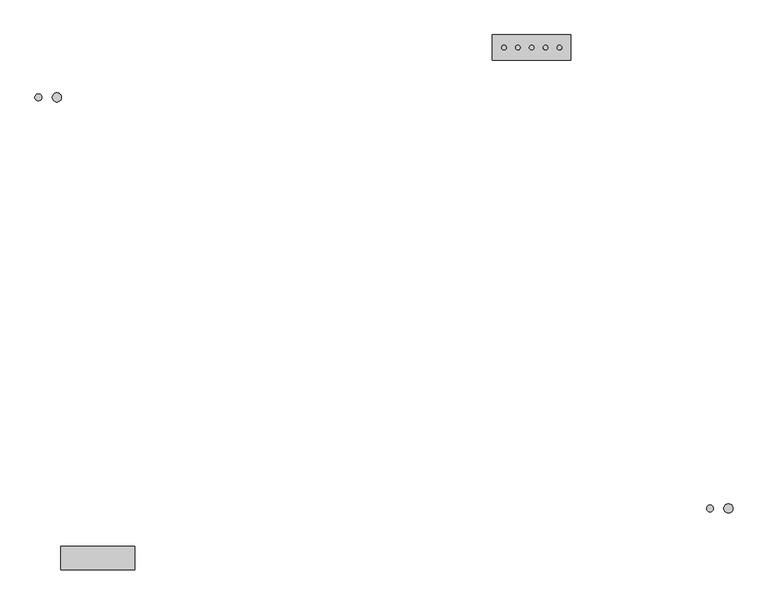
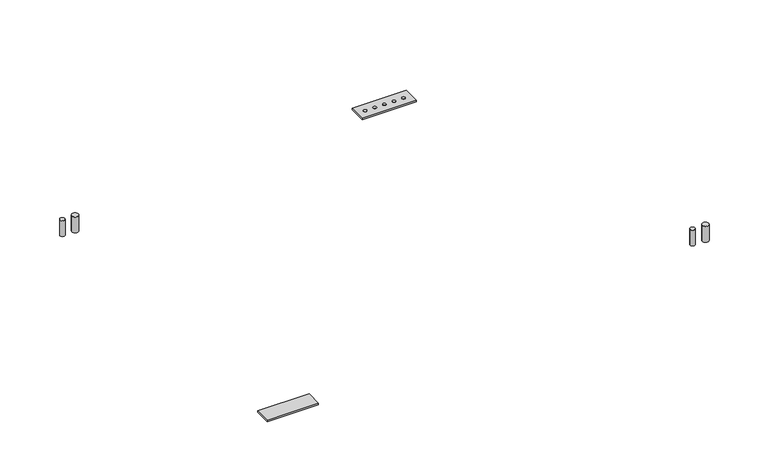
"""IFC4 building model written with IfcOpenShell, lengths in millimetres: proxy geometry."""

from ifc_helpers import new_model, si_unit, point, frame, frame_2d, origin, place, context, project, spatial, polyline, circle_curve, trimmed, segment, composite_curve, outline, extrude, source, transform, mapped, element, save


def mechanical_equipment_aedef73f(model_context):
    return source(origin(), model_context, "Body", "SweptSolid", [
        extrude(outline(composite_curve([segment(trimmed(circle_curve(frame_2d((242.6911047, 192.5203719)), 12.7), [point((229.9911047, 192.5203719))], [point((255.3911047, 192.5203719))], False, "CARTESIAN"), True, "CONTINUOUS"), segment(trimmed(circle_curve(frame_2d((242.6911047, 192.5203719)), 12.7), [point((255.3911047, 192.5203719))], [point((229.9911047, 192.5203719))], False, "CARTESIAN"), True, "CONTINUOUS")], self_intersect=False)), frame((0.0, 0.0, 61.2666507), z_axis=(0.0, 0.0, 1.0), x_axis=(1.0, 0.0, 0.0)), (0.0, 0.0, 1.0), 65.7333493),
        extrude(outline(composite_curve([segment(trimmed(circle_curve(frame_2d((191.8911047, 192.5203719)), 9.525), [point((182.3661047, 192.5203719))], [point((201.4161047, 192.5203719))], False, "CARTESIAN"), True, "CONTINUOUS"), segment(trimmed(circle_curve(frame_2d((191.8911047, 192.5203719)), 9.525), [point((201.4161047, 192.5203719))], [point((182.3661047, 192.5203719))], False, "CARTESIAN"), True, "CONTINUOUS")], self_intersect=False)), frame((0.0, 0.0, 61.2666507), z_axis=(0.0, 0.0, 1.0), x_axis=(1.0, 0.0, 0.0)), (0.0, 0.0, 1.0), 65.7333493),
        extrude(outline(composite_curve([segment(trimmed(circle_curve(frame_2d((1473.1027684, 329.7424825)), 6.35), [point((1466.7527684, 329.7424825))], [point((1479.4527684, 329.7424825))], False, "CARTESIAN"), True, "CONTINUOUS"), segment(trimmed(circle_curve(frame_2d((1473.1027684, 329.7424825)), 6.35), [point((1479.4527684, 329.7424825))], [point((1466.7527684, 329.7424825))], False, "CARTESIAN"), True, "CONTINUOUS")], self_intersect=False)), frame((0.0, 0.0, 44.45), z_axis=(0.0, 0.0, 1.0), x_axis=(1.0, 0.0, 0.0)), (0.0, 0.0, 1.0), 6.35),
        extrude(outline(composite_curve([segment(trimmed(circle_curve(frame_2d((1511.2027684, 329.7424825)), 6.35), [point((1504.8527684, 329.7424825))], [point((1517.5527684, 329.7424825))], False, "CARTESIAN"), True, "CONTINUOUS"), segment(trimmed(circle_curve(frame_2d((1511.2027684, 329.7424825)), 6.35), [point((1517.5527684, 329.7424825))], [point((1504.8527684, 329.7424825))], False, "CARTESIAN"), True, "CONTINUOUS")], self_intersect=False)), frame((0.0, 0.0, 44.45), z_axis=(0.0, 0.0, 1.0), x_axis=(1.0, 0.0, 0.0)), (0.0, 0.0, 1.0), 6.35),
        extrude(outline(composite_curve([segment(trimmed(circle_curve(frame_2d((1549.3027684, 329.7424825)), 6.35), [point((1542.9527684, 329.7424825))], [point((1555.6527684, 329.7424825))], False, "CARTESIAN"), True, "CONTINUOUS"), segment(trimmed(circle_curve(frame_2d((1549.3027684, 329.7424825)), 6.35), [point((1555.6527684, 329.7424825))], [point((1542.9527684, 329.7424825))], False, "CARTESIAN"), True, "CONTINUOUS")], self_intersect=False)), frame((0.0, 0.0, 44.45), z_axis=(0.0, 0.0, 1.0), x_axis=(1.0, 0.0, 0.0)), (0.0, 0.0, 1.0), 6.35),
        extrude(outline(composite_curve([segment(trimmed(circle_curve(frame_2d((1587.4027684, 329.7424825)), 6.35), [point((1581.0527684, 329.7424825))], [point((1593.7527684, 329.7424825))], False, "CARTESIAN"), True, "CONTINUOUS"), segment(trimmed(circle_curve(frame_2d((1587.4027684, 329.7424825)), 6.35), [point((1593.7527684, 329.7424825))], [point((1581.0527684, 329.7424825))], False, "CARTESIAN"), True, "CONTINUOUS")], self_intersect=False)), frame((0.0, 0.0, 44.45), z_axis=(0.0, 0.0, 1.0), x_axis=(1.0, 0.0, 0.0)), (0.0, 0.0, 1.0), 6.35),
        extrude(outline(composite_curve([segment(trimmed(circle_curve(frame_2d((1625.5027684, 329.7424825)), 6.35), [point((1619.1527684, 329.7424825))], [point((1631.8527684, 329.7424825))], False, "CARTESIAN"), True, "CONTINUOUS"), segment(trimmed(circle_curve(frame_2d((1625.5027684, 329.7424825)), 6.35), [point((1631.8527684, 329.7424825))], [point((1619.1527684, 329.7424825))], False, "CARTESIAN"), True, "CONTINUOUS")], self_intersect=False)), frame((0.0, 0.0, 44.45), z_axis=(0.0, 0.0, 1.0), x_axis=(1.0, 0.0, 0.0)), (0.0, 0.0, 1.0), 6.35),
        extrude(outline(polyline([(1441.3527684, 364.6674825), (1656.5379173, 364.6674825), (1656.5379173, 294.8174825), (1441.3527684, 294.8174825), (1441.3527684, 364.6674825)])), frame((0.0, 0.0, 44.45), z_axis=(0.0, 0.0, 1.0), x_axis=(1.0, 0.0, 0.0)), (0.0, 0.0, 1.0), 6.35),
        extrude(outline(polyline([(457.2, -1044.3321273), (457.2, -1108.244384), (254.0, -1108.244384), (254.0, -1044.3321273), (457.2, -1044.3321273)])), frame((0.0, 0.0, 44.45), z_axis=(0.0, 0.0, 1.0), x_axis=(1.0, 0.0, 0.0)), (0.0, 0.0, 1.0), 6.35),
        extrude(outline(composite_curve([segment(trimmed(circle_curve(frame_2d((2090.7375, -939.5571273)), 12.7), [point((2078.0375, -939.5571273))], [point((2103.4375, -939.5571273))], False, "CARTESIAN"), True, "CONTINUOUS"), segment(trimmed(circle_curve(frame_2d((2090.7375, -939.5571273)), 12.7), [point((2103.4375, -939.5571273))], [point((2078.0375, -939.5571273))], False, "CARTESIAN"), True, "CONTINUOUS")], self_intersect=False)), frame((0.0, 0.0, 61.2666507), z_axis=(0.0, 0.0, 1.0), x_axis=(1.0, 0.0, 0.0)), (0.0, 0.0, 1.0), 65.7333493),
        extrude(outline(composite_curve([segment(trimmed(circle_curve(frame_2d((2039.9375, -939.5571273)), 9.525), [point((2030.4125, -939.5571273))], [point((2049.4625, -939.5571273))], False, "CARTESIAN"), True, "CONTINUOUS"), segment(trimmed(circle_curve(frame_2d((2039.9375, -939.5571273)), 9.525), [point((2049.4625, -939.5571273))], [point((2030.4125, -939.5571273))], False, "CARTESIAN"), True, "CONTINUOUS")], self_intersect=False)), frame((0.0, 0.0, 61.2666507), z_axis=(0.0, 0.0, 1.0), x_axis=(1.0, 0.0, 0.0)), (0.0, 0.0, 1.0), 65.7333493),
    ])


if __name__ == "__main__":
    model = new_model("IFC4")
    model_context = context("Model", 3, world=origin())
    ifc_project = project(units=[si_unit("LENGTHUNIT", "METRE", prefix="MILLI")], contexts=[model_context])
    site = spatial("IfcSite", under=ifc_project)
    building = spatial("IfcBuilding", under=site)
    placement = place(None, origin())
    mechanical_equipment_shape = mechanical_equipment_aedef73f(model_context)
    element("IfcBuildingElementProxy", 1, Name="Mechanical Equipment", at=placement, inside=building, context=model_context, shape_type="MappedRepresentation", body=[
        mapped(mechanical_equipment_shape, transform((0.0, 0.0, 0.0), x_axis=(1.0, 0.0, 0.0), y_axis=(0.0, 1.0, 0.0), z_axis=(0.0, 0.0, 1.0))),
    ])
    save(model, "model.ifc")
